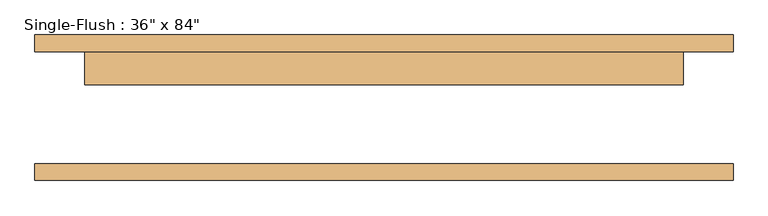
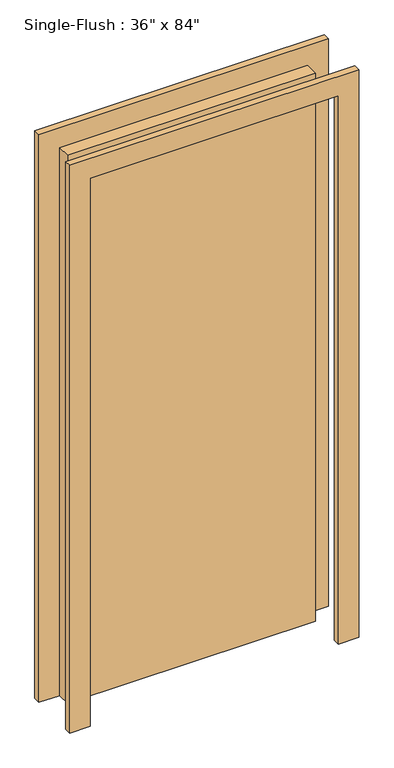
"""IFC4 building model written with IfcOpenShell, lengths in millimetres: door geometry."""

from ifc_helpers import new_model, si_unit, frame, origin, origin_with_axes, place, context, project, spatial, polyline, outline, extrude, source, transform, mapped, element, save


def door_4bd35477(model_context):
    return source(origin(), model_context, "Body", "SweptSolid", [
        extrude(outline(polyline([(2209.8, -533.4), (0.0, -533.4), (0.0, -457.2), (2133.6, -457.2), (2133.6, 457.2), (0.0, 457.2), (0.0, 533.4), (2209.8, 533.4), (2209.8, -533.4)])), frame((0.0, 85.725, 0.0), z_axis=(0.0, 1.0, 0.0), x_axis=(0.0, 0.0, 1.0)), (0.0, 0.0, 1.0), 25.4),
        extrude(outline(polyline([(2209.8, 533.4), (2209.8, -533.4), (0.0, -533.4), (0.0, -457.2), (2133.6, -457.2), (2133.6, 457.2), (0.0, 457.2), (0.0, 533.4), (2209.8, 533.4)])), frame((0.0, -111.125, 0.0), z_axis=(0.0, 1.0, 0.0), x_axis=(0.0, 0.0, 1.0)), (0.0, 0.0, 1.0), 25.4),
        extrude(outline(polyline([(457.2, 34.925), (-457.2, 34.925), (-457.2, 85.725), (457.2, 85.725), (457.2, 34.925)])), origin_with_axes(), (0.0, 0.0, 1.0), 2133.6),
    ])


if __name__ == "__main__":
    model = new_model("IFC4")
    model_context = context("Model", 3, world=origin())
    ifc_project = project(units=[si_unit("LENGTHUNIT", "METRE", prefix="MILLI")], contexts=[model_context])
    site = spatial("IfcSite", under=ifc_project)
    building = spatial("IfcBuilding", under=site)
    placement = place(None, origin())
    door_shape = door_4bd35477(model_context)
    element("IfcDoor", 1, ObjectType="Single-Flush : 36\" x 84\"", at=placement, inside=building, context=model_context, shape_type="MappedRepresentation", body=[
        mapped(door_shape, transform((0.0, 0.0, 0.0), x_axis=(1.0, 0.0, 0.0), y_axis=(0.0, 1.0, 0.0), z_axis=(0.0, 0.0, 1.0))),
    ])
    save(model, "model.ifc")
